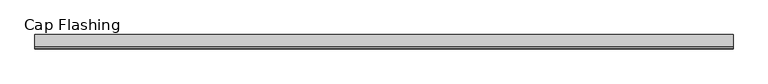
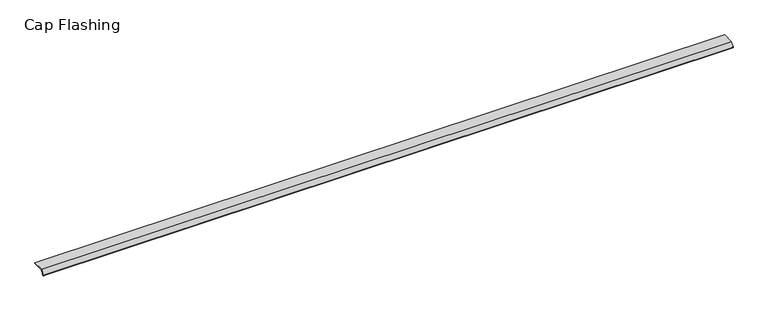
"""IFC4 building model written with IfcOpenShell, lengths in millimetres: proxy geometry, Cap Flashing."""

from ifc_helpers import new_model, si_unit, point, frame, frame_2d, origin, place, context, project, spatial, polyline, circle_curve, trimmed, segment, composite_curve, outline, extrude, source, transform, mapped, element, save


def cap_flashing_c4593a7e(model_context):
    return source(origin(), model_context, "Body", "SweptSolid", [
        extrude(outline(composite_curve([segment(polyline([(-73.0990263, -25.0073908), (-47.7077563, 14.0917363), (53.8454672, 14.0917363), (53.8454672, 12.5042363), (-46.8458141, 12.5042363), (-71.7676368, -25.8720053)]), True, "CONTINUOUS"), segment(trimmed(circle_curve(frame_2d((-71.1757217, -26.2563994)), 0.7057778), [point((-71.7676368, -25.8720053))], [point((-70.7126899, -26.7890567))], True, "CARTESIAN"), True, "CONTINUOUS"), segment(polyline([(-70.7126899, -26.7890567), (-61.5238918, -18.8013564), (-60.3986187, -19.9266296), (-69.6711961, -27.9871582)]), True, "CONTINUOUS"), segment(trimmed(circle_curve(frame_2d((-71.1757217, -26.2563994)), 2.2932778), [point((-69.6711961, -27.9871582))], [point((-73.0990263, -25.0073908))], False, "CARTESIAN"), True, "CONTINUOUS")], self_intersect=False)), frame((0.0, 0.0, 0.0), z_axis=(1.0, 0.0, 0.0), x_axis=(0.0, 1.0, 0.0)), (0.0, 0.0, 1.0), 6096.0),
    ])


if __name__ == "__main__":
    model = new_model("IFC4")
    model_context = context("Model", 3, world=origin())
    ifc_project = project(units=[si_unit("LENGTHUNIT", "METRE", prefix="MILLI")], contexts=[model_context])
    site = spatial("IfcSite", under=ifc_project)
    building = spatial("IfcBuilding", under=site)
    placement = place(None, origin())
    cap_flashing_shape = cap_flashing_c4593a7e(model_context)
    element("IfcBuildingElementProxy", 1, Name="Cap Flashing", ObjectType="Cap Flashing", at=placement, inside=building, context=model_context, shape_type="MappedRepresentation", body=[
        mapped(cap_flashing_shape, transform((0.0, 0.0, 0.0), x_axis=(1.0, 0.0, 0.0), y_axis=(0.0, 1.0, 0.0), z_axis=(0.0, 0.0, 1.0))),
    ])
    save(model, "model.ifc")
